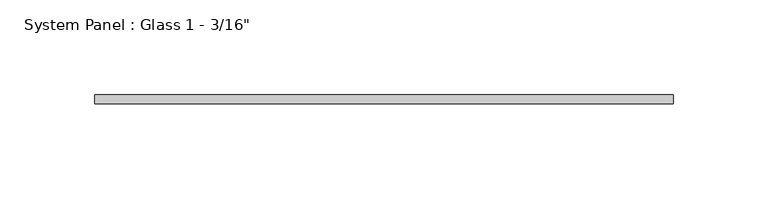
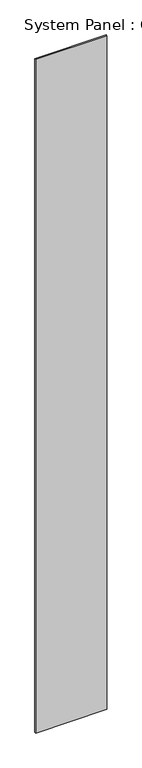
"""IFC4 building model written with IfcOpenShell, lengths in millimetres: plate geometry."""

from ifc_helpers import new_model, si_unit, origin, origin_with_axes, place, context, project, spatial, polyline, outline, extrude, source, transform, mapped, element, save


def plate_f5080d05(model_context):
    return source(origin(), model_context, "Body", "SweptSolid", [
        extrude(outline(polyline([(152.4, 0.0), (-152.4, 0.0), (-152.4, 4.7625), (152.4, 4.7625), (152.4, 0.0)])), origin_with_axes(), (0.0, 0.0, 1.0), 3048.0),
    ])


if __name__ == "__main__":
    model = new_model("IFC4")
    model_context = context("Model", 3, world=origin())
    ifc_project = project(units=[si_unit("LENGTHUNIT", "METRE", prefix="MILLI")], contexts=[model_context])
    site = spatial("IfcSite", under=ifc_project)
    building = spatial("IfcBuilding", under=site)
    placement = place(None, origin())
    plate_shape = plate_f5080d05(model_context)
    element("IfcPlate", 1, ObjectType="System Panel : Glass 1 - 3/16\"", at=placement, inside=building, context=model_context, shape_type="MappedRepresentation", body=[
        mapped(plate_shape, transform((0.0, 0.0, 0.0), x_axis=(1.0, 0.0, 0.0), y_axis=(0.0, 1.0, 0.0), z_axis=(0.0, 0.0, 1.0))),
    ])
    save(model, "model.ifc")
